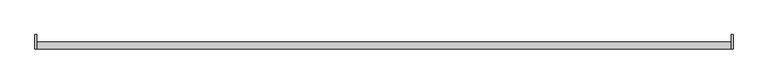
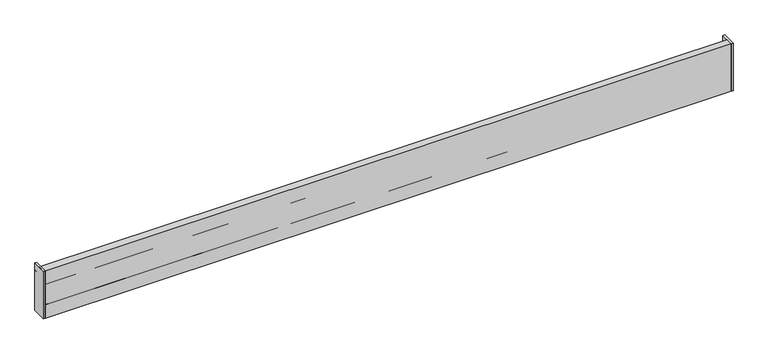
"""IFC4 building model written with IfcOpenShell, lengths in millimetres: furniture geometry."""

import ifcopenshell
import ifcopenshell.guid

model = None  # the IFC model being written
_history = None  # IfcOwnerHistory: only IFC2X3 demands one
_inside = {}  # id of a spatial element -> (the spatial element, [elements in it])
_under = {}  # id of a project, library or spatial element -> (it, [spatial elements below it])
_declared = {}  # id of a project -> (the project, [libraries it declares])
_typed = {}  # id of a type object -> (the type object, [elements of that type])
_made_of = {}  # id of a material, layer set ... -> (it, [elements and type objects made of it])


def new_model(schema):
    """Start an empty IFC model of exactly this schema.

    Asked for "IFC4X3", IfcOpenShell would pick the latest addendum, in which some entities
    have other attributes; the version numbers below select the first issue.
    IFC2X3 requires an IfcOwnerHistory on every rooted entity: one is made here for all.
    """
    global model, _history
    if schema == "IFC4X3":
        model = ifcopenshell.file(schema_version=(4, 3, 0, 0))
    else:
        model = ifcopenshell.file(schema=schema)
    _inside.clear()
    _under.clear()
    _declared.clear()
    _typed.clear()
    _made_of.clear()
    _history = None
    if model.schema == "IFC2X3":
        org = make("IfcOrganization", Name="unknown")
        user = make(
            "IfcPersonAndOrganization",
            ThePerson=make("IfcPerson", FamilyName="unknown"),
            TheOrganization=org,
        )
        app = make(
            "IfcApplication",
            ApplicationDeveloper=org,
            Version="unknown",
            ApplicationFullName="unknown",
            ApplicationIdentifier="unknown",
        )
        _history = make(
            "IfcOwnerHistory",
            OwningUser=user,
            OwningApplication=app,
            ChangeAction="ADDED",
            CreationDate=0,
        )
    return model


def make(cls, **values):
    """One entity of the class cls with the attributes given. An attribute that is None is left unset."""
    return model.create_entity(
        cls, **{name: value for name, value in values.items() if value is not None}
    )


def rooted(cls, **values):
    """An entity with a GlobalId (a new one), such as an element, a storey or a relation."""
    return make(cls, GlobalId=ifcopenshell.guid.new(), OwnerHistory=_history, **values)


def si_unit(unit_type, name, prefix=None):
    """IfcSIUnit, for example si_unit("LENGTHUNIT", "METRE", prefix="MILLI")."""
    return make("IfcSIUnit", UnitType=unit_type, Prefix=prefix, Name=name)


def assignment(units):
    """IfcUnitAssignment: the units of a project."""
    return None if units is None else make("IfcUnitAssignment", Units=units)


def point(xyz):
    """IfcCartesianPoint."""
    return None if xyz is None else make("IfcCartesianPoint", Coordinates=xyz)


def direction(xyz):
    """IfcDirection."""
    return None if xyz is None else make("IfcDirection", DirectionRatios=xyz)


def frame(location, z_axis=None, x_axis=None):
    """IfcAxis2Placement3D, a coordinate frame: its origin and axes. An axis left out is left unset."""
    return make(
        "IfcAxis2Placement3D",
        Location=point(location),
        Axis=direction(z_axis),
        RefDirection=direction(x_axis),
    )


def origin():
    """The frame at (0, 0, 0) with its axes left unset."""
    return frame((0.0, 0.0, 0.0))


def place(relative_to, where):
    """IfcLocalPlacement: puts the frame where relative to a parent placement (None: the world)."""
    return make(
        "IfcLocalPlacement", PlacementRelTo=relative_to, RelativePlacement=where
    )


def context(
    kind, dimensions, precision=None, world=None, true_north=None, identifier=None
):
    """IfcGeometricRepresentationContext, for example the 3D "Model" context."""
    return make(
        "IfcGeometricRepresentationContext",
        ContextIdentifier=identifier,
        ContextType=kind,
        CoordinateSpaceDimension=dimensions,
        Precision=precision,
        WorldCoordinateSystem=world,
        TrueNorth=true_north,
    )


def project(units=None, contexts=None):
    """IfcProject with its units and contexts."""
    return rooted(
        "IfcProject",
        Name="project",
        RepresentationContexts=contexts,
        UnitsInContext=assignment(units),
    )


def spatial(cls, under=None, at=None, **own):
    """A site, building, storey or space (cls), placed at a placement, below another one or the project."""
    s = rooted(cls, ObjectPlacement=at, **own)
    if under is not None:
        _under.setdefault(under.id(), (under, []))[1].append(s)
    return s


def polyline(points):
    """IfcPolyline through the points."""
    return make("IfcPolyline", Points=[point(p) for p in points])


def outline(outer, holes=None, kind="AREA"):
    """IfcArbitraryClosedProfileDef: a profile drawn as a closed curve; with holes, ...WithVoids."""
    if holes is None:
        return make("IfcArbitraryClosedProfileDef", ProfileType=kind, OuterCurve=outer)
    return make(
        "IfcArbitraryProfileDefWithVoids",
        ProfileType=kind,
        OuterCurve=outer,
        InnerCurves=holes,
    )


def extrude(swept, where, along, depth):
    """IfcExtrudedAreaSolid: the profile swept, set in the frame where, extruded along a direction by depth."""
    return make(
        "IfcExtrudedAreaSolid",
        SweptArea=swept,
        Position=where,
        ExtrudedDirection=direction(along),
        Depth=depth,
    )


def shape(context_of_items, identifier, shape_type, items):
    """IfcShapeRepresentation: the items that make up one representation, for example the "Body"."""
    return make(
        "IfcShapeRepresentation",
        ContextOfItems=context_of_items,
        RepresentationIdentifier=identifier,
        RepresentationType=shape_type,
        Items=items,
    )


def source(mapping_origin, context_of_items, identifier, shape_type, items):
    """IfcRepresentationMap: a shape defined once, which mapped items show again and again."""
    return make(
        "IfcRepresentationMap",
        MappingOrigin=mapping_origin,
        MappedRepresentation=shape(context_of_items, identifier, shape_type, items),
    )


def transform(
    local_origin,
    x_axis=None,
    y_axis=None,
    z_axis=None,
    scale=None,
    scale2=None,
    scale3=None,
    uniform=True,
):
    """IfcCartesianTransformationOperator3D, or its non-uniform kind. x_axis, y_axis, z_axis: its Axis1, 2, 3."""
    if uniform:
        return make(
            "IfcCartesianTransformationOperator3D",
            Axis1=direction(x_axis),
            Axis2=direction(y_axis),
            LocalOrigin=point(local_origin),
            Scale=scale,
            Axis3=direction(z_axis),
        )
    return make(
        "IfcCartesianTransformationOperator3DnonUniform",
        Axis1=direction(x_axis),
        Axis2=direction(y_axis),
        LocalOrigin=point(local_origin),
        Scale=scale,
        Axis3=direction(z_axis),
        Scale2=scale2,
        Scale3=scale3,
    )


def mapped(mapping_source, mapping_target):
    """IfcMappedItem: shows the shape of a source again, moved by a transform."""
    return make(
        "IfcMappedItem", MappingSource=mapping_source, MappingTarget=mapping_target
    )


def made_of(thing, what):
    """Note that an element or type object is made of a material, layer set ...; save() writes the relation."""
    if what is not None:
        _made_of.setdefault(what.id(), (what, []))[1].append(thing)
    return thing


def element(
    cls,
    number,
    at=None,
    inside=None,
    cuts=None,
    type_object=None,
    material=None,
    context=None,
    identifier="Body",
    shape_type=None,
    held_by="IfcProductDefinitionShape",
    body=None,
    shapes=None,
    **own,
):
    """One element of the class cls, such as IfcWall. Its Tag is "e" and its number.

    at: its placement. inside: the storey or other place that contains it. cuts: it is an
    opening in that element (IfcRelVoidsElement). A single representation is given by context,
    identifier, shape_type and body (its items); several are given by shapes. held_by: the class
    of the entity that holds the representations. save() writes the other relations.
    """
    e = rooted(cls, Tag="e%d" % number, ObjectPlacement=at, **own)
    if body is not None:
        shapes = [shape(context, identifier, shape_type, body)]
    if shapes is not None:
        e.Representation = make(held_by, Representations=shapes)
    if inside is not None:
        _inside.setdefault(inside.id(), (inside, []))[1].append(e)
    if cuts is not None:
        rooted(
            "IfcRelVoidsElement", RelatingBuildingElement=cuts, RelatedOpeningElement=e
        )
    if type_object is not None:
        _typed.setdefault(type_object.id(), (type_object, []))[1].append(e)
    return made_of(e, material)


def aggregate(whole, parts):
    """IfcRelAggregates: a whole, such as a stair, and the parts it consists of."""
    return rooted("IfcRelAggregates", RelatingObject=whole, RelatedObjects=parts)


def save(model, path):
    """Write the relations noted so far, then the file.

    IfcRelAggregates (storeys below a building ...), IfcRelContainedInSpatialStructure (elements
    in a storey), IfcRelDefinesByType, IfcRelAssociatesMaterial and IfcRelDeclares: one each for
    every whole, place, type object, material and project.
    """
    for whole, parts in _under.values():
        aggregate(whole, parts)
    for where, things in _inside.values():
        rooted(
            "IfcRelContainedInSpatialStructure",
            RelatedElements=things,
            RelatingStructure=where,
        )
    for kind, things in _typed.values():
        rooted("IfcRelDefinesByType", RelatedObjects=things, RelatingType=kind)
    for what, things in _made_of.values():
        rooted("IfcRelAssociatesMaterial", RelatedObjects=things, RelatingMaterial=what)
    for by, libraries in _declared.values():
        rooted("IfcRelDeclares", RelatingContext=by, RelatedDefinitions=libraries)
    model.write(path)


def furniture_7f018c90(model_context):
    return source(origin(), model_context, "Body", "SweptSolid", [
        extrude(outline(polyline([(-606.425, 12.6999996), (-606.425, -12.7000004), (-609.6, -12.7000004), (-609.6, 12.6999996), (-606.425, 12.6999996)])), frame((0.0, 0.0, 927.1), z_axis=(0.0, 0.0, 1.0), x_axis=(1.0, 0.0, 0.0)), (0.0, 0.0, 1.0), 88.9),
        extrude(outline(polyline([(609.6, 12.6999996), (609.6, -12.7000004), (606.425, -12.7000004), (606.425, 12.6999996), (609.6, 12.6999996)])), frame((0.0, 0.0, 927.1), z_axis=(0.0, 0.0, 1.0), x_axis=(1.0, 0.0, 0.0)), (0.0, 0.0, 1.0), 88.9),
        extrude(outline(polyline([(606.425, 0.0), (606.425, -12.7000004), (-606.425, -12.7000004), (-606.425, 0.0), (606.425, 0.0)])), frame((0.0, 0.0, 927.1), z_axis=(0.0, 0.0, 1.0), x_axis=(1.0, 0.0, 0.0)), (0.0, 0.0, 1.0), 88.9),
        extrude(outline(polyline([(-12.7000004, 1003.2999966), (-12.7000004, 1016.0), (0.0, 1016.0), (0.0, 927.1), (-12.7000004, 927.1), (-12.7000004, 952.4999966), (-3.1750002, 952.4999966), (-3.1750002, 965.1999966), (-12.7000004, 965.1999966), (-12.7000004, 990.5999966), (-3.1750002, 990.5999966), (-3.1750002, 1003.2999966), (-12.7000004, 1003.2999966)])), frame((-606.425, 0.0, 0.0), z_axis=(1.0, 0.0, 0.0), x_axis=(0.0, 1.0, 0.0)), (0.0, 0.0, 1.0), 1212.85),
        extrude(outline(polyline([(-12.7000004, 1016.0), (0.0, 1016.0), (0.0, 1003.2999966), (12.6999996, 1003.2999966), (12.6999996, 939.799997), (0.0, 939.799997), (0.0, 927.1), (-12.7000004, 927.1), (-12.7000004, 1016.0)])), frame((-609.6, 0.0, 0.0), z_axis=(1.0, 0.0, 0.0), x_axis=(0.0, 1.0, 0.0)), (0.0, 0.0, 1.0), 3.175),
        extrude(outline(polyline([(-12.7000004, 1016.0), (0.0, 1016.0), (0.0, 1003.2999966), (12.6999996, 1003.2999966), (12.6999996, 939.799997), (0.0, 939.799997), (0.0, 927.1), (-12.7000004, 927.1), (-12.7000004, 1016.0)])), frame((606.425, 0.0, 0.0), z_axis=(1.0, 0.0, 0.0), x_axis=(0.0, 1.0, 0.0)), (0.0, 0.0, 1.0), 3.175),
    ])


if __name__ == "__main__":
    model = new_model("IFC4")
    model_context = context("Model", 3, world=origin())
    ifc_project = project(units=[si_unit("LENGTHUNIT", "METRE", prefix="MILLI")], contexts=[model_context])
    site = spatial("IfcSite", under=ifc_project)
    building = spatial("IfcBuilding", under=site)
    placement = place(None, origin())
    furniture_shape = furniture_7f018c90(model_context)
    element("IfcFurniture", 1, at=placement, inside=building, context=model_context, shape_type="MappedRepresentation", body=[
        mapped(furniture_shape, transform((0.0, 0.0, 0.0), x_axis=(1.0, 0.0, 0.0), y_axis=(0.0, 1.0, 0.0), z_axis=(0.0, 0.0, 1.0))),
    ])
    save(model, "model.ifc")
